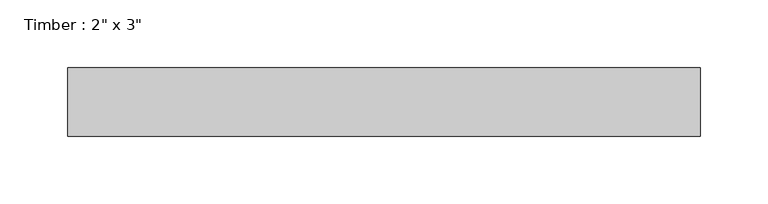
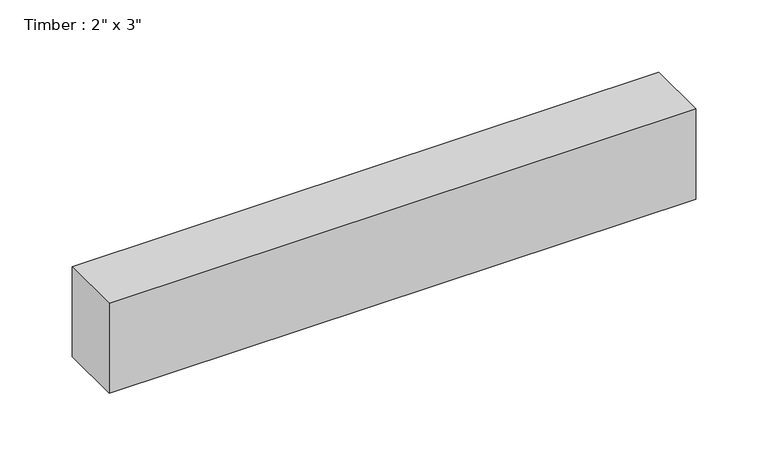
"""IFC4 building model written with IfcOpenShell, lengths in millimetres: beam geometry."""

from ifc_helpers import new_model, si_unit, frame, origin, place, context, project, spatial, polyline, outline, extrude, source, transform, mapped, element, save


def beam_159ec1f6(model_context):
    return source(origin(), model_context, "Body", "SweptSolid", [
        extrude(outline(polyline([(234.2662022, 25.4), (234.2662022, -25.4), (-234.2662022, -25.4), (-234.2662022, 25.4), (234.2662022, 25.4)])), frame((0.0, 0.0, -38.1), z_axis=(0.0, 0.0, 1.0), x_axis=(1.0, 0.0, 0.0)), (0.0, 0.0, 1.0), 76.2),
    ])


if __name__ == "__main__":
    model = new_model("IFC4")
    model_context = context("Model", 3, world=origin())
    ifc_project = project(units=[si_unit("LENGTHUNIT", "METRE", prefix="MILLI")], contexts=[model_context])
    site = spatial("IfcSite", under=ifc_project)
    building = spatial("IfcBuilding", under=site)
    placement = place(None, origin())
    beam_shape = beam_159ec1f6(model_context)
    element("IfcBeam", 1, ObjectType="Timber : 2\" x 3\"", at=placement, inside=building, context=model_context, shape_type="MappedRepresentation", body=[
        mapped(beam_shape, transform((0.0, 0.0, 0.0), x_axis=(1.0, 0.0, 0.0), y_axis=(0.0, 1.0, 0.0), z_axis=(0.0, 0.0, 1.0))),
    ])
    save(model, "model.ifc")
